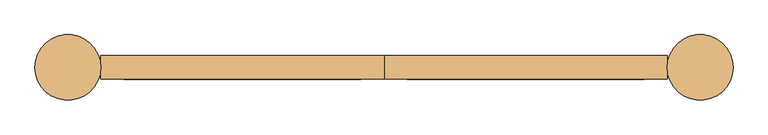
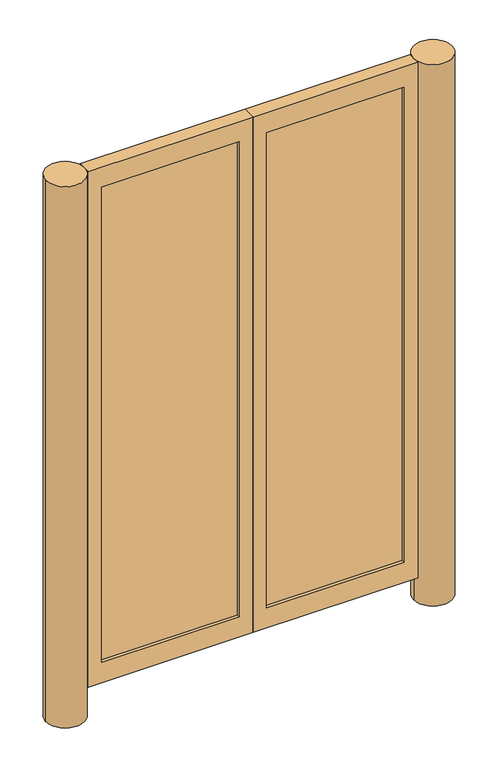
"""IFC4 building model written with IfcOpenShell, lengths in millimetres: door geometry."""

from ifc_helpers import new_model, si_unit, point, frame, frame_2d, origin, origin_with_axes, place, context, project, spatial, polyline, circle_curve, trimmed, segment, composite_curve, outline, extrude, source, transform, mapped, element, save


def door_f3241ba7(model_context):
    return source(origin(), model_context, "Body", "SweptSolid", [
        extrude(outline(composite_curve([segment(trimmed(circle_curve(frame_2d((-685.8, 0.0)), 71.4375), [point((-757.2375, 0.0))], [point((-614.3625, 0.0))], False, "CARTESIAN"), True, "CONTINUOUS"), segment(trimmed(circle_curve(frame_2d((-685.8, 0.0)), 71.4375), [point((-614.3625, 0.0))], [point((-757.2375, 0.0))], False, "CARTESIAN"), True, "CONTINUOUS")], self_intersect=False)), origin_with_axes(), (0.0, 0.0, 1.0), 2133.6),
        extrude(outline(composite_curve([segment(trimmed(circle_curve(frame_2d((685.8, 0.0)), 71.4375), [point((614.3625, 0.0))], [point((757.2375, 0.0))], False, "CARTESIAN"), True, "CONTINUOUS"), segment(trimmed(circle_curve(frame_2d((685.8, 0.0)), 71.4375), [point((757.2375, 0.0))], [point((614.3625, 0.0))], False, "CARTESIAN"), True, "CONTINUOUS")], self_intersect=False)), origin_with_axes(), (0.0, 0.0, 1.0), 2133.6),
        extrude(outline(polyline([(-50.8, -12.7), (-563.5625, -12.7), (-563.5625, 12.7), (-50.8, 12.7), (-50.8, -12.7)])), frame((0.0, 0.0, 180.975), z_axis=(0.0, 0.0, 1.0), x_axis=(1.0, 0.0, 0.0)), (0.0, 0.0, 1.0), 1873.25),
        extrude(outline(polyline([(563.5625, -12.7), (50.8, -12.7), (50.8, 12.7), (563.5625, 12.7), (563.5625, -12.7)])), frame((0.0, 0.0, 180.975), z_axis=(0.0, 0.0, 1.0), x_axis=(1.0, 0.0, 0.0)), (0.0, 0.0, 1.0), 1873.25),
        extrude(outline(polyline([(2133.6, -614.3625), (101.6, -614.3625), (101.6, 0.0), (2133.6, 0.0), (2133.6, -614.3625)]), holes=[polyline([(2054.225, -563.5625), (2054.225, -50.8), (180.975, -50.8), (180.975, -563.5625), (2054.225, -563.5625)])]), frame((0.0, -25.4, 0.0), z_axis=(0.0, 1.0, 0.0), x_axis=(0.0, 0.0, 1.0)), (0.0, 0.0, 1.0), 50.8),
        extrude(outline(polyline([(2133.6, 0.0), (101.6, 0.0), (101.6, 614.3625), (2133.6, 614.3625), (2133.6, 0.0)]), holes=[polyline([(2054.225, 50.8), (2054.225, 563.5625), (180.975, 563.5625), (180.975, 50.8), (2054.225, 50.8)])]), frame((0.0, -25.4, 0.0), z_axis=(0.0, 1.0, 0.0), x_axis=(0.0, 0.0, 1.0)), (0.0, 0.0, 1.0), 50.8),
    ])


if __name__ == "__main__":
    model = new_model("IFC4")
    model_context = context("Model", 3, world=origin())
    ifc_project = project(units=[si_unit("LENGTHUNIT", "METRE", prefix="MILLI")], contexts=[model_context])
    site = spatial("IfcSite", under=ifc_project)
    building = spatial("IfcBuilding", under=site)
    placement = place(None, origin())
    door_shape = door_f3241ba7(model_context)
    element("IfcDoor", 1, at=placement, inside=building, context=model_context, shape_type="MappedRepresentation", body=[
        mapped(door_shape, transform((0.0, 0.0, 0.0), x_axis=(1.0, 0.0, 0.0), y_axis=(0.0, 1.0, 0.0), z_axis=(0.0, 0.0, 1.0))),
    ])
    save(model, "model.ifc")
